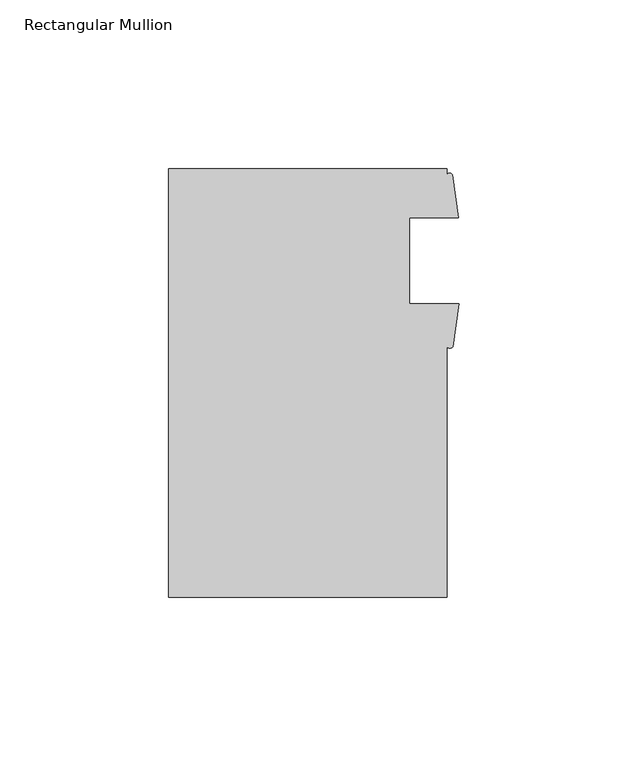
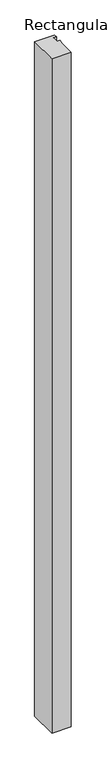
"""IFC4 building model written with IfcOpenShell, lengths in millimetres: member geometry, Rectangular Mullion."""

from ifc_helpers import new_model, si_unit, point, frame, frame_2d, origin, place, context, project, spatial, polyline, circle_curve, trimmed, segment, composite_curve, outline, extrude, source, transform, mapped, element, save


def rectangular_mullion_eb168a7e(model_context):
    return source(origin(), model_context, "Body", "SweptSolid", [
        extrude(outline(composite_curve([segment(polyline([(-86.0660632, -127.0059304), (-86.0660632, 0.0), (-3.5160632, 0.0), (-3.5160632, -1.7322375)]), True, "CONTINUOUS"), segment(trimmed(circle_curve(frame_2d((-2.723115, -2.2045951)), 0.922978), [point((-3.5160632, -1.7322375))], [point((-1.9301669, -1.7322375))], False, "CARTESIAN"), True, "CONTINUOUS"), segment(polyline([(-1.9301669, -1.7322375), (-0.1200632, -14.503525), (-14.6285632, -14.503525), (-14.6285632, -39.9273255), (0.0, -39.9273255), (-1.8526588, -52.6765778)]), True, "CONTINUOUS"), segment(trimmed(circle_curve(frame_2d((-2.6817209, -52.1825533)), 0.9650929), [point((-1.8526588, -52.6765778))], [point((-3.5160632, -52.6676072))], False, "CARTESIAN"), True, "CONTINUOUS"), segment(polyline([(-3.5160632, -52.6676072), (-3.5160632, -127.0059304), (-86.0660632, -127.0059304)]), True, "CONTINUOUS")], self_intersect=False)), frame((0.0, 0.0, -3048.0), z_axis=(0.0, 0.0, 1.0), x_axis=(1.0, 0.0, 0.0)), (0.0, 0.0, 1.0), 3048.0),
    ])


if __name__ == "__main__":
    model = new_model("IFC4")
    model_context = context("Model", 3, world=origin())
    ifc_project = project(units=[si_unit("LENGTHUNIT", "METRE", prefix="MILLI")], contexts=[model_context])
    site = spatial("IfcSite", under=ifc_project)
    building = spatial("IfcBuilding", under=site)
    placement = place(None, origin())
    rectangular_mullion_shape = rectangular_mullion_eb168a7e(model_context)
    element("IfcMember", 1, ObjectType="Rectangular Mullion", at=placement, inside=building, context=model_context, shape_type="MappedRepresentation", body=[
        mapped(rectangular_mullion_shape, transform((0.0, 0.0, 0.0), x_axis=(1.0, 0.0, 0.0), y_axis=(0.0, 1.0, 0.0), z_axis=(0.0, 0.0, 1.0))),
    ])
    save(model, "model.ifc")
